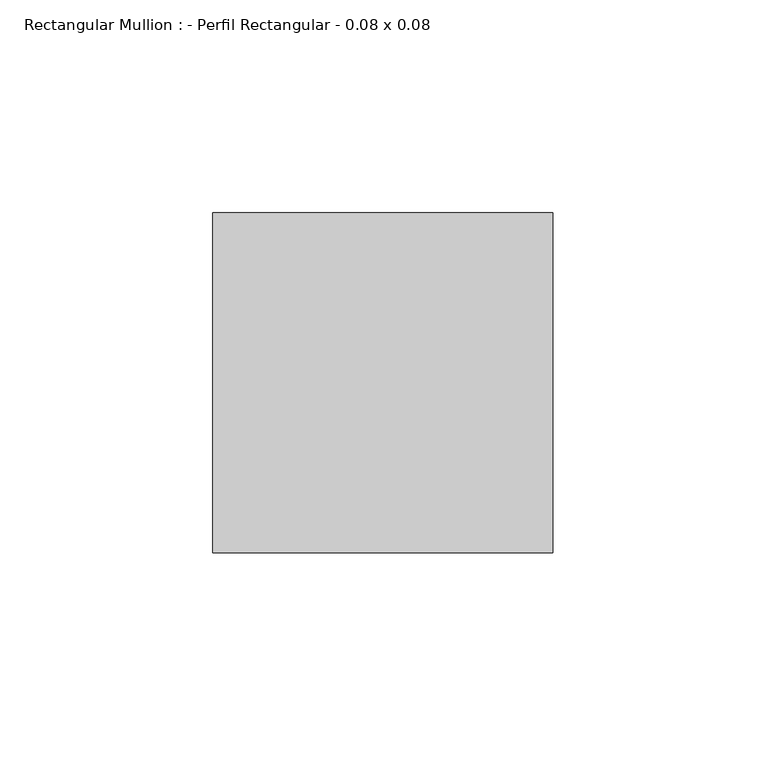
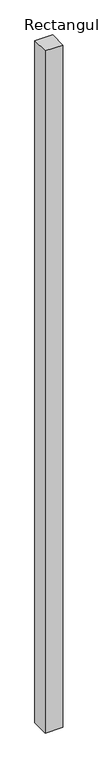
"""IFC4 building model written with IfcOpenShell, lengths in millimetres: member geometry, Rectangular Mullion : - Perfil Rectangular - 0.08 x 0.08."""

from ifc_helpers import new_model, si_unit, frame, origin, place, context, project, spatial, polyline, outline, extrude, source, transform, mapped, element, save


def rectangular_mullion_perfil_rectangular_0_08_x_0_08_b5c95dc9(model_context):
    return source(origin(), model_context, "Body", "SweptSolid", [
        extrude(outline(polyline([(0.0, 80.0), (0.0, 0.0), (-80.0, 0.0), (-80.0, 80.0), (0.0, 80.0)])), frame((0.0, 0.0, -3270.0), z_axis=(0.0, 0.0, 1.0), x_axis=(1.0, 0.0, 0.0)), (0.0, 0.0, 1.0), 3270.0),
    ])


if __name__ == "__main__":
    model = new_model("IFC4")
    model_context = context("Model", 3, world=origin())
    ifc_project = project(units=[si_unit("LENGTHUNIT", "METRE", prefix="MILLI")], contexts=[model_context])
    site = spatial("IfcSite", under=ifc_project)
    building = spatial("IfcBuilding", under=site)
    placement = place(None, origin())
    rectangular_mullion_perfil_rectangular_0_08_x_0_08_shape = rectangular_mullion_perfil_rectangular_0_08_x_0_08_b5c95dc9(model_context)
    element("IfcMember", 1, ObjectType="Rectangular Mullion : - Perfil Rectangular - 0.08 x 0.08", at=placement, inside=building, context=model_context, shape_type="MappedRepresentation", body=[
        mapped(rectangular_mullion_perfil_rectangular_0_08_x_0_08_shape, transform((0.0, 0.0, 0.0), x_axis=(1.0, 0.0, 0.0), y_axis=(0.0, 1.0, 0.0), z_axis=(0.0, 0.0, 1.0))),
    ])
    save(model, "model.ifc")
